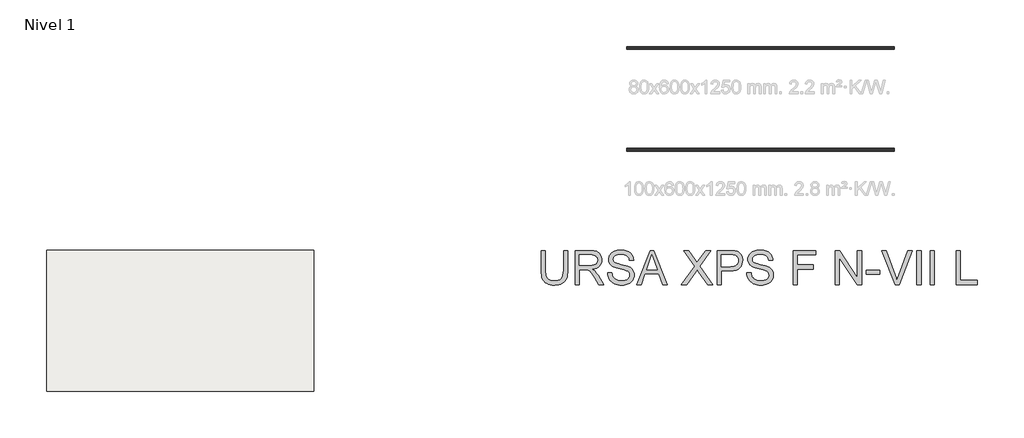
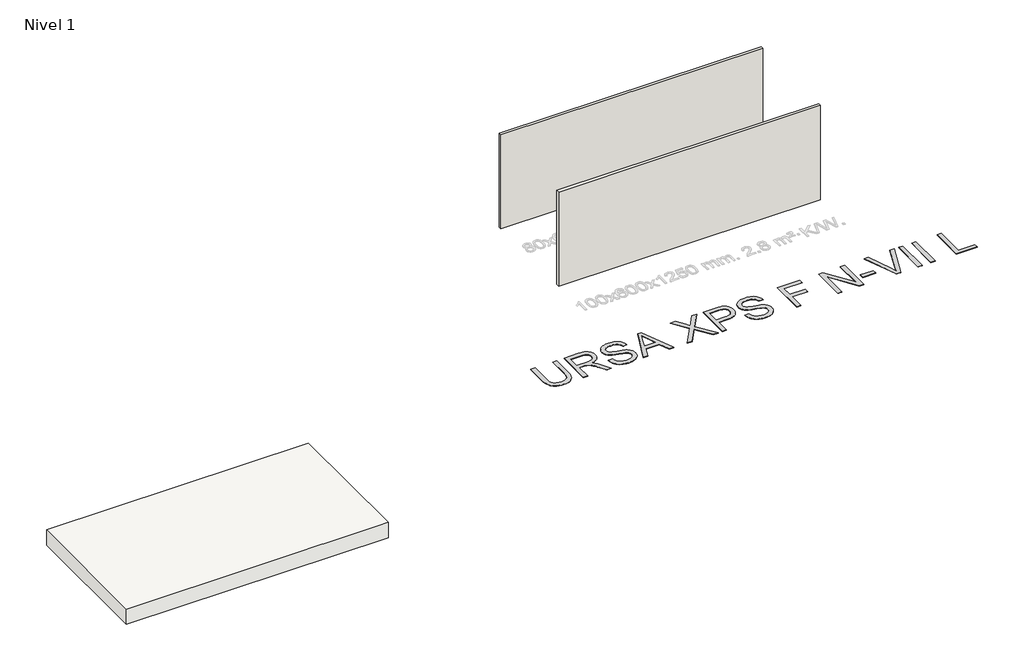
# One storey, part 1 of 3: 2 walls, 1 proxy, 1 slab.
"""IFC4 building model written with IfcOpenShell, lengths in millimetres."""

from ifc_helpers import new_model, si_unit, frame, origin, origin_with_axes, place, context, project, spatial, polyline, outline, extrude, element, save

model = new_model("IFC4")

# Units and contexts
model_context = context("Model", 3, world=origin())
ifc_project = project(units=[si_unit("LENGTHUNIT", "METRE", prefix="MILLI")], contexts=[model_context])

# Site, building, storey
site = spatial("IfcSite", under=ifc_project)
building = spatial("IfcBuilding", under=site)
storey = spatial("IfcBuildingStorey", under=building, Name="Nivel 1", Elevation=0.0)

# Proxy
placement = place(None, origin())
element("IfcBuildingElementProxy", 1, Name="Texto de modelo 2", ObjectType="Texto de modelo 2", at=placement, inside=storey, context=model_context, shape_type="SweptSolid", body=[
    extrude(outline(polyline([(-8399.608643, -2025.8387308), (-8274.0382553, -2025.8387308), (-8274.0382553, -2605.3755006), (-8276.1689052, -2677.1354823), (-8282.5608549, -2741.0933), (-8293.2141043, -2797.2489537), (-8308.1286535, -2845.6024434), (-8328.5920895, -2887.985515), (-8355.8919992, -2926.229914), (-8390.0283827, -2960.3356407), (-8431.0012399, -2990.3026949), (-8478.8565561, -3014.7131981), (-8533.6403166, -3032.1492718), (-8595.3525213, -3042.6109161), (-8663.9931702, -3046.0981308), (-8730.9400291, -3043.0631043), (-8791.4949384, -3033.958025), (-8845.6578979, -3018.7828927), (-8893.4289079, -2997.5377074), (-8934.8156323, -2970.5367018), (-8969.8257355, -2938.0941084), (-8998.4592175, -2900.2099271), (-9020.7160782, -2856.8841579), (-9037.4010595, -2806.6299446), (-9049.3189033, -2747.9604305), (-9056.4696096, -2680.8756159), (-9058.8531784, -2605.3755006), (-9058.8531784, -2025.8387308), (-8933.2827907, -2025.8387308), (-8933.2827907, -2600.9609166), (-8931.7346206, -2661.66911), (-8927.0901104, -2713.8087187), (-8919.3492601, -2757.3797425), (-8908.5120697, -2792.3821815), (-8893.9040888, -2821.3452244), (-8874.8508671, -2846.7980599), (-8851.3524047, -2868.7406881), (-8823.4087014, -2887.1731089), (-8791.556252, -2901.7657614), (-8756.331551, -2912.1890846), (-8717.7345983, -2918.4430785), (-8675.765394, -2920.5277431), (-8606.5575937, -2916.4043991), (-8548.0490281, -2904.034367), (-8500.2396971, -2883.4176468), (-8480.3472446, -2870.0167788), (-8463.1296008, -2854.5542386), (-8448.2418763, -2836.1601389), (-8435.3391818, -2813.9645918), (-8415.4888825, -2758.1691559), (-8403.5787029, -2687.1679308), (-8399.608643, -2600.9609166), (-8399.608643, -2025.8387308)])), origin_with_axes(), (0.0, 0.0, 1.0), 10.0),
    extrude(outline(polyline([(-8054.2900769, -3030.4018323), (-8054.2900769, -2025.8387308), (-7621.4155959, -2025.8387308), (-7559.2818597, -2027.5325209), (-7505.0729149, -2032.6138909), (-7458.7887614, -2041.082841), (-7420.4293992, -2052.9393712), (-7387.7645437, -2069.0955221), (-7358.5639103, -2090.4633347), (-7332.8274991, -2117.0428088), (-7310.5553099, -2148.8339446), (-7292.5827416, -2184.1276235), (-7279.7451929, -2221.2147271), (-7272.0426636, -2260.0952555), (-7269.4751538, -2300.7692086), (-7273.7287894, -2352.3646584), (-7286.4896961, -2399.7294653), (-7307.7578739, -2442.8636292), (-7337.5333229, -2481.7671502), (-7376.1992535, -2515.1984265), (-7424.138876, -2541.9158564), (-7481.3521904, -2561.9194399), (-7547.8391968, -2575.209177), (-7506.4524724, -2602.2485036), (-7476.4700898, -2628.9199483), (-7425.0279241, -2689.9270458), (-7374.6894044, -2758.1691559), (-7207.1804693, -3030.4018323), (-7353.1069941, -3030.4018323), (-7483.8277297, -2822.1806231), (-7536.1282867, -2742.7181121), (-7578.2507751, -2684.3475022), (-7613.3528488, -2644.1563942), (-7644.5921616, -2619.2323891), (-7674.1760053, -2604.6090798), (-7704.3116721, -2595.3200594), (-7777.1523072, -2590.9054754), (-7928.7196892, -2590.9054754), (-7928.7196892, -3030.4018323), (-8054.2900769, -3030.4018323)]), holes=[polyline([(-7928.7196892, -2465.3350877), (-7647.6578449, -2465.3350877), (-7566.9384038, -2460.889847), (-7504.3064941, -2447.5541246), (-7479.1219058, -2437.3300709), (-7457.156285, -2424.4388726), (-7438.4096317, -2408.8805299), (-7422.8819458, -2390.6550427), (-7410.7035189, -2370.6591234), (-7402.0046426, -2349.7894844), (-7396.7853168, -2328.0461257), (-7395.0455415, -2305.4290472), (-7398.3641437, -2273.3160147), (-7408.3199502, -2244.176695), (-7424.912961, -2218.0110881), (-7448.1431761, -2194.819194), (-7478.5470902, -2175.827286), (-7516.6611977, -2162.2616374), (-7562.4854988, -2154.1222482), (-7616.0199933, -2151.4091185), (-7928.7196892, -2151.4091185), (-7928.7196892, -2465.3350877)])]), origin_with_axes(), (0.0, 0.0, 1.0), 10.0),
    extrude(outline(polyline([(-7096.8158708, -2685.0832662), (-6971.2454831, -2685.0832662), (-6965.4973269, -2721.6338753), (-6956.8367716, -2754.7662475), (-6945.2638172, -2784.4803828), (-6930.7784636, -2810.7762812), (-6912.6449469, -2834.1827732), (-6890.1275031, -2855.228689), (-6863.2261322, -2873.9140286), (-6831.9408342, -2890.2387922), (-6797.4212403, -2903.4902082), (-6760.8169818, -2912.9555054), (-6722.1280587, -2918.6346837), (-6681.3544709, -2920.5277431), (-6611.3955781, -2914.7949154), (-6579.6810844, -2907.6288807), (-6550.1432259, -2897.5964321), (-6523.5101023, -2885.0577874), (-6500.5098134, -2870.3731644), (-6481.1423592, -2853.5425632), (-6465.4077397, -2834.5659836), (-6453.2293128, -2814.263496), (-6444.5304365, -2793.4551706), (-6439.3111107, -2772.1410075), (-6437.5713354, -2750.3210067), (-6442.782997, -2708.2904887), (-6458.4179818, -2671.9621417), (-6471.5697631, -2655.8443118), (-6490.1784607, -2640.9680836), (-6514.2440746, -2627.3334572), (-6543.7666047, -2614.9404325), (-6610.0773343, -2595.2280889), (-6726.6039563, -2566.9931457), (-6846.6254572, -2535.2633237), (-6890.4264072, -2519.9732282), (-6923.4208237, -2505.0663432), (-6956.9517347, -2485.0627597), (-6985.930106, -2462.8212274), (-7010.3559377, -2438.3417463), (-7030.2292296, -2411.6243164), (-7045.626624, -2382.9448492), (-7056.6247628, -2352.5792562), (-7063.2236461, -2320.5275374), (-7065.4232738, -2286.7896928), (-7062.7024799, -2249.3960208), (-7054.5400981, -2213.2439506), (-7040.9361285, -2178.333482), (-7021.8905711, -2144.6646153), (-6997.6180236, -2113.6092435), (-6968.3330839, -2086.53926), (-6934.0357521, -2063.4546648), (-6894.7260281, -2044.3554579), (-6851.7298199, -2029.3872593), (-6806.3730356, -2018.6956888), (-6758.6556751, -2012.2807465), (-6708.5777385, -2010.1424324), (-6653.9472622, -2012.3803812), (-6602.6277239, -2019.0942276), (-6554.6191235, -2030.2839716), (-6509.9214611, -2045.9496132), (-6469.3624711, -2065.9531967), (-6433.7698881, -2090.1567663), (-6403.143712, -2118.560322), (-6377.4839428, -2151.1638639), (-6356.98985, -2187.01703), (-6341.860703, -2225.1694586), (-6332.0965017, -2265.6211496), (-6327.6972462, -2308.3721031), (-6453.2676339, -2308.3721031), (-6461.6676061, -2268.3036225), (-6476.3215722, -2233.4468035), (-6497.2295323, -2203.801646), (-6524.3914863, -2179.3681502), (-6558.3132719, -2160.2689432), (-6599.5007269, -2146.6266526), (-6647.9538514, -2138.4412782), (-6703.6726452, -2135.7128201), (-6761.1695354, -2138.4106214), (-6810.2971102, -2146.5040253), (-6851.0553696, -2159.9930317), (-6883.4443135, -2178.8776408), (-6908.1230641, -2201.5790256), (-6925.750743, -2226.5183592), (-6936.3273504, -2253.6956416), (-6939.8528861, -2283.1108728), (-6937.3543543, -2308.4180884), (-6929.8587586, -2331.3647278), (-6917.3660992, -2351.9507911), (-6899.876376, -2370.1762783), (-6872.34654, -2387.4360753), (-6828.9977783, -2404.8798132), (-6769.8300907, -2422.5074921), (-6694.8434774, -2440.3191121), (-6556.3972198, -2473.9803146), (-6507.6835123, -2489.2014322), (-6472.6427523, -2503.3495606), (-6434.1454343, -2524.7940152), (-6401.0590474, -2548.9056143), (-6373.3835914, -2575.6843579), (-6351.1190665, -2605.1302459), (-6334.0048895, -2637.0899942), (-6321.7804774, -2671.4103187), (-6314.4458301, -2708.0912193), (-6312.0009477, -2747.1326961), (-6314.8137121, -2786.4117632), (-6323.2520054, -2824.5411992), (-6337.3158275, -2861.5210039), (-6357.0051784, -2897.3511774), (-6381.9751689, -2930.644498), (-6411.8809094, -2960.0137439), (-6446.7224, -2985.4589153), (-6486.4996408, -3006.980012), (-6530.0553361, -3024.094189), (-6576.2321907, -3036.3186011), (-6625.0302046, -3043.6532484), (-6676.4493776, -3046.0981308), (-6740.6831068, -3043.4616432), (-6799.4752481, -3035.5521803), (-6852.8258017, -3022.3697421), (-6900.7347673, -3003.9143287), (-6943.4933851, -2980.1552832), (-6981.3928948, -2951.0619487), (-7014.4332965, -2916.6343253), (-7042.6145901, -2876.872413), (-7065.3159749, -2833.0637988), (-7081.9166499, -2786.4960695), (-7092.4166152, -2737.1692253), (-7096.8158708, -2685.0832662)])), origin_with_axes(), (0.0, 0.0, 1.0), 10.0),
    extrude(outline(polyline([(-6240.6318406, -3030.4018323), (-5839.6404659, -2025.8387308), (-5732.7094326, -2025.8387308), (-5331.7180579, -3030.4018323), (-5464.4008308, -3030.4018323), (-5579.425268, -2716.4758631), (-5993.1698852, -2716.4758631), (-6107.9490677, -3030.4018323), (-6240.6318406, -3030.4018323)]), holes=[polyline([(-5947.0620085, -2590.9054754), (-5625.28789, -2590.9054754), (-5715.7868609, -2343.9340293), (-5786.1749493, -2151.4091185), (-5848.7148884, -2322.351619), (-5947.0620085, -2590.9054754)])]), origin_with_axes(), (0.0, 0.0, 1.0), 10.0),
    extrude(outline(polyline([(-4915.0303847, -3030.4018323), (-4527.7732711, -2482.9934235), (-4852.2451908, -2025.8387308), (-4701.6588275, -2025.8387308), (-4518.9441032, -2283.1108728), (-4475.3500868, -2348.2872996), (-4457.3851827, -2383.4200302), (-4385.2803116, -2281.3940902), (-4204.5276247, -2025.8387308), (-4051.7339693, -2025.8387308), (-4376.2058891, -2484.4649515), (-3988.9487755, -3030.4018323), (-4139.5351389, -3030.4018323), (-4397.5430448, -2666.4439118), (-4451.2538161, -2590.9054754), (-4510.36019, -2673.8015517), (-4762.2367294, -3030.4018323), (-4915.0303847, -3030.4018323)])), origin_with_axes(), (0.0, 0.0, 1.0), 10.0),
    extrude(outline(polyline([(-3863.3783878, -3030.4018323), (-3863.3783878, -2025.8387308), (-3491.0818087, -2025.8387308), (-3404.3842852, -2028.2299638), (-3340.9859547, -2035.4036627), (-3306.0448293, -2042.9375794), (-3274.0620884, -2053.2765963), (-3245.0377318, -2066.4207134), (-3218.9717596, -2082.3699308), (-3195.5882603, -2101.4538093), (-3174.6113223, -2124.0019099), (-3156.0409458, -2150.0142326), (-3139.8771306, -2179.4907775), (-3126.786663, -2211.45819), (-3117.4363289, -2244.9431158), (-3111.8261285, -2279.9455548), (-3109.9560617, -2316.465507), (-3115.0067749, -2378.1317265), (-3130.1589146, -2434.8621958), (-3155.4124807, -2486.656915), (-3190.7674733, -2533.5158842), (-3213.0032574, -2554.3242095), (-3239.304904, -2572.3580915), (-3269.6724131, -2587.6175301), (-3304.1057846, -2600.1025253), (-3342.6050186, -2609.8130771), (-3385.1701151, -2616.7491856), (-3482.4978955, -2622.2980724), (-3737.8080001, -2622.2980724), (-3737.8080001, -3030.4018323), (-3863.3783878, -3030.4018323)]), holes=[polyline([(-3737.8080001, -2496.7276847), (-3475.1402556, -2496.7276847), (-3414.7462947, -2493.8459424), (-3363.7946384, -2485.2007155), (-3322.2852866, -2470.792004), (-3290.2182393, -2450.6198079), (-3266.2905812, -2425.2206219), (-3249.1993969, -2395.1309403), (-3238.9446862, -2360.3507634), (-3235.5264494, -2320.880091), (-3237.5421361, -2291.5721587), (-3243.5891964, -2264.4715184), (-3253.6676303, -2239.57817), (-3267.7774376, -2216.8921137), (-3285.1675261, -2197.1491133), (-3305.0868033, -2181.0849328), (-3327.5352692, -2168.6995723), (-3352.5129238, -2159.9930317), (-3400.9507199, -2153.5550968), (-3478.0833115, -2151.4091185), (-3737.8080001, -2151.4091185), (-3737.8080001, -2496.7276847)])]), origin_with_axes(), (0.0, 0.0, 1.0), 10.0),
    extrude(outline(polyline([(-2984.385674, -2685.0832662), (-2858.8152863, -2685.0832662), (-2853.0671301, -2721.6338753), (-2844.4065748, -2754.7662475), (-2832.8336204, -2784.4803828), (-2818.3482668, -2810.7762812), (-2800.2147502, -2834.1827732), (-2777.6973064, -2855.228689), (-2750.7959355, -2873.9140286), (-2719.5106375, -2890.2387922), (-2684.9910436, -2903.4902082), (-2648.3867851, -2912.9555054), (-2609.6978619, -2918.6346837), (-2568.9242741, -2920.5277431), (-2498.9653814, -2914.7949154), (-2467.2508877, -2907.6288807), (-2437.7130292, -2897.5964321), (-2411.0799056, -2885.0577874), (-2388.0796167, -2870.3731644), (-2368.7121624, -2853.5425632), (-2352.9775429, -2834.5659836), (-2340.7991161, -2814.263496), (-2332.1002397, -2793.4551706), (-2326.8809139, -2772.1410075), (-2325.1411386, -2750.3210067), (-2330.3528002, -2708.2904887), (-2345.987785, -2671.9621417), (-2359.1395664, -2655.8443118), (-2377.748264, -2640.9680836), (-2401.8138778, -2627.3334572), (-2431.3364079, -2614.9404325), (-2497.6471375, -2595.2280889), (-2614.1737595, -2566.9931457), (-2734.1952604, -2535.2633237), (-2777.9962105, -2519.9732282), (-2810.9906269, -2505.0663432), (-2844.521538, -2485.0627597), (-2873.4999093, -2462.8212274), (-2897.9257409, -2438.3417463), (-2917.7990329, -2411.6243164), (-2933.1964272, -2382.9448492), (-2944.194566, -2352.5792562), (-2950.7934493, -2320.5275374), (-2952.9930771, -2286.7896928), (-2950.2722832, -2249.3960208), (-2942.1099014, -2213.2439506), (-2928.5059318, -2178.333482), (-2909.4603743, -2144.6646153), (-2885.1878268, -2113.6092435), (-2855.9028872, -2086.53926), (-2821.6055553, -2063.4546648), (-2782.2958313, -2044.3554579), (-2739.2996231, -2029.3872593), (-2693.9428388, -2018.6956888), (-2646.2254784, -2012.2807465), (-2596.1475418, -2010.1424324), (-2541.5170655, -2012.3803812), (-2490.1975271, -2019.0942276), (-2442.1889268, -2030.2839716), (-2397.4912644, -2045.9496132), (-2356.9322744, -2065.9531967), (-2321.3396914, -2090.1567663), (-2290.7135153, -2118.560322), (-2265.0537461, -2151.1638639), (-2244.5596533, -2187.01703), (-2229.4305062, -2225.1694586), (-2219.6663049, -2265.6211496), (-2215.2670494, -2308.3721031), (-2340.8374371, -2308.3721031), (-2349.2374093, -2268.3036225), (-2363.8913755, -2233.4468035), (-2384.7993355, -2203.801646), (-2411.9612895, -2179.3681502), (-2445.8830751, -2160.2689432), (-2487.0705302, -2146.6266526), (-2535.5236546, -2138.4412782), (-2591.2424485, -2135.7128201), (-2648.7393387, -2138.4106214), (-2697.8669134, -2146.5040253), (-2738.6251728, -2159.9930317), (-2771.0141168, -2178.8776408), (-2795.6928673, -2201.5790256), (-2813.3205462, -2226.5183592), (-2823.8971536, -2253.6956416), (-2827.4226894, -2283.1108728), (-2824.9241575, -2308.4180884), (-2817.4285619, -2331.3647278), (-2804.9359024, -2351.9507911), (-2787.4461792, -2370.1762783), (-2759.9163433, -2387.4360753), (-2716.5675815, -2404.8798132), (-2657.399894, -2422.5074921), (-2582.4132806, -2440.3191121), (-2443.9670231, -2473.9803146), (-2395.2533156, -2489.2014322), (-2360.2125555, -2503.3495606), (-2321.7152376, -2524.7940152), (-2288.6288506, -2548.9056143), (-2260.9533947, -2575.6843579), (-2238.6888698, -2605.1302459), (-2221.5746928, -2637.0899942), (-2209.3502807, -2671.4103187), (-2202.0156334, -2708.0912193), (-2199.570751, -2747.1326961), (-2202.3835154, -2786.4117632), (-2210.8218086, -2824.5411992), (-2224.8856307, -2861.5210039), (-2244.5749817, -2897.3511774), (-2269.5449721, -2930.644498), (-2299.4507126, -2960.0137439), (-2334.2922033, -2985.4589153), (-2374.069444, -3006.980012), (-2417.6251394, -3024.094189), (-2463.801994, -3036.3186011), (-2512.6000078, -3043.6532484), (-2564.0191808, -3046.0981308), (-2628.25291, -3043.4616432), (-2687.0450514, -3035.5521803), (-2740.3956049, -3022.3697421), (-2788.3045706, -3003.9143287), (-2831.0631883, -2980.1552832), (-2868.962698, -2951.0619487), (-2902.0030997, -2916.6343253), (-2930.1843934, -2876.872413), (-2952.8857782, -2833.0637988), (-2969.4864532, -2786.4960695), (-2979.9864185, -2737.1692253), (-2984.385674, -2685.0832662)])), origin_with_axes(), (0.0, 0.0, 1.0), 10.0),
    extrude(outline(polyline([(-1618.8077079, -3030.4018323), (-1618.8077079, -2025.8387308), (-943.8668741, -2025.8387308), (-943.8668741, -2151.4091185), (-1493.2373202, -2151.4091185), (-1493.2373202, -2449.6387893), (-1022.3483664, -2449.6387893), (-1022.3483664, -2575.209177), (-1493.2373202, -2575.209177), (-1493.2373202, -3030.4018323), (-1618.8077079, -3030.4018323)])), origin_with_axes(), (0.0, 0.0, 1.0), 10.0),
    extrude(outline(polyline([(-378.8001295, -3030.4018323), (-378.8001295, -2025.8387308), (-244.4005739, -2025.8387308), (280.4444059, -2821.6901137), (280.4444059, -2025.8387308), (406.0147935, -2025.8387308), (406.0147935, -3030.4018323), (271.615238, -3030.4018323), (-253.2297418, -2234.3051948), (-253.2297418, -3030.4018323), (-378.8001295, -3030.4018323)])), origin_with_axes(), (0.0, 0.0, 1.0), 10.0),
    extrude(outline(polyline([(547.2814797, -2732.1721616), (547.2814797, -2606.6017739), (939.6889412, -2606.6017739), (939.6889412, -2732.1721616), (547.2814797, -2732.1721616)])), origin_with_axes(), (0.0, 0.0, 1.0), 10.0),
    extrude(outline(polyline([(1393.4100686, -3030.4018323), (993.6449672, -2025.8387308), (1128.0445227, -2025.8387308), (1395.6173606, -2749.5852427), (1425.3544885, -2833.8915332), (1449.8186412, -2912.6795939), (1474.7119895, -2831.0711046), (1503.2841578, -2749.5852427), (1771.5927596, -2025.8387308), (1905.9923152, -2025.8387308), (1523.1497856, -3030.4018323), (1393.4100686, -3030.4018323)])), origin_with_axes(), (0.0, 0.0, 1.0), 10.0),
    extrude(outline(polyline([(2038.4298335, -3030.4018323), (2038.4298335, -2025.8387308), (2164.0002212, -2025.8387308), (2164.0002212, -3030.4018323), (2038.4298335, -3030.4018323)])), origin_with_axes(), (0.0, 0.0, 1.0), 10.0),
    extrude(outline(polyline([(2430.837295, -3030.4018323), (2430.837295, -2025.8387308), (2556.4076827, -2025.8387308), (2556.4076827, -3030.4018323), (2430.837295, -3030.4018323)])), origin_with_axes(), (0.0, 0.0, 1.0), 10.0),
    extrude(outline(polyline([(3199.9559196, -3030.4018323), (3199.9559196, -2025.8387308), (3325.5263073, -2025.8387308), (3325.5263073, -2904.8314446), (3827.807858, -2904.8314446), (3827.807858, -3030.4018323), (3199.9559196, -3030.4018323)])), origin_with_axes(), (0.0, 0.0, 1.0), 10.0),
])

# Slab
element("IfcSlab", 2, at=placement, inside=storey, context=model_context, shape_type="SweptSolid", body=[
    extrude(outline(polyline([(-15769.5892022, -2020.2851318), (-15769.5892022, -6187.1000163), (-23669.5892022, -6187.1000163), (-23669.5892022, -2020.2851318), (-15769.5892022, -2020.2851318)])), frame((0.0, 0.0, -490.0), z_axis=(0.0, 0.0, 1.0), x_axis=(1.0, 0.0, 0.0)), (0.0, 0.0, 1.0), 490.0),
])

# Walls
element("IfcWall", 3, at=placement, inside=storey, context=model_context, shape_type="SweptSolid", body=[
    extrude(outline(polyline([(1368.7582768, 3920.3831431), (-6531.2417232, 3920.3831431), (-6531.2417232, 4000.3831431), (1368.7582768, 4000.3831431), (1368.7582768, 3920.3831431)])), origin_with_axes(), (0.0, 0.0, 1.0), 3000.0),
])
element("IfcWall", 4, at=placement, inside=storey, context=model_context, shape_type="SweptSolid", body=[
    extrude(outline(polyline([(1368.7582768, 900.3831431), (-6531.2417232, 900.3831431), (-6531.2417232, 1000.3831431), (1368.7582768, 1000.3831431), (1368.7582768, 900.3831431)])), origin_with_axes(), (0.0, 0.0, 1.0), 3000.0),
])

save(model, "model.ifc")
